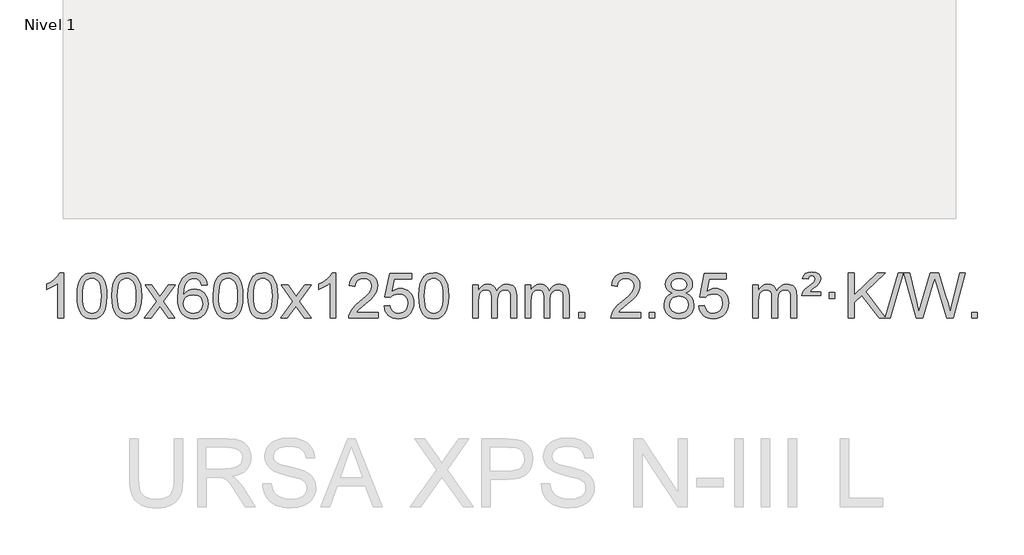
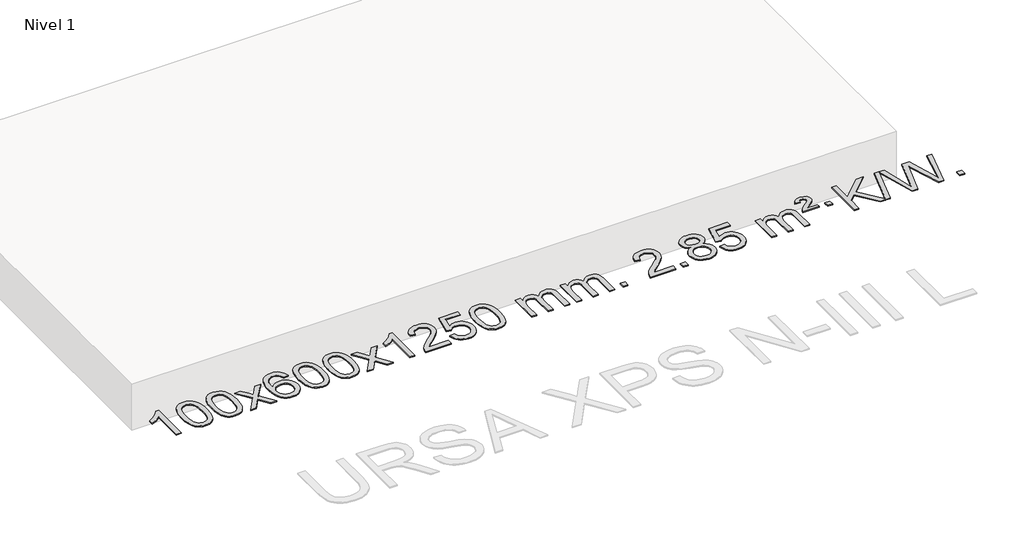
# One storey, part 3 of 10: 1 proxy.
"""IFC4 building model written with IfcOpenShell, lengths in millimetres."""

from ifc_helpers import new_model, si_unit, origin, origin_with_axes, place, context, project, spatial, polyline, outline, extrude, element, save

model = new_model("IFC4")

# Units and contexts
model_context = context("Model", 3, world=origin())
ifc_project = project(units=[si_unit("LENGTHUNIT", "METRE", prefix="MILLI")], contexts=[model_context])

# Site, building, storey
site = spatial("IfcSite", under=ifc_project)
building = spatial("IfcBuilding", under=site)
storey = spatial("IfcBuildingStorey", under=building, Name="Nivel 1", Elevation=0.0)

# Proxy
placement = place(None, origin())
element("IfcBuildingElementProxy", 1, Name="Texto de modelo 1", ObjectType="Texto de modelo 1", at=placement, inside=storey, context=model_context, shape_type="SweptSolid", body=[
    extrude(outline(polyline([(-30057.6779185, -12607.0613758), (-30107.9060735, -12607.0613758), (-30107.9060735, -12293.9202215), (-30128.8753473, -12310.8795815), (-30155.4854782, -12327.814416), (-30208.3623837, -12353.1737482), (-30208.3623837, -12305.6924454), (-30168.9131711, -12284.2326623), (-30134.7369337, -12258.7016518), (-30107.7957089, -12231.5519606), (-30090.051534, -12205.2361352), (-30057.6779185, -12205.2361352), (-30057.6779185, -12607.0613758)])), origin_with_axes(), (0.0, 0.0, 1.0), 10.0),
    extrude(outline(polyline([(-29938.3860502, -12409.3861171), (-29934.6949675, -12345.0680816), (-29923.6217194, -12293.7730687), (-29905.2766706, -12254.7162636), (-29893.4186076, -12239.4828833), (-29879.7701856, -12227.1128512), (-29864.2854193, -12217.5417879), (-29846.9183234, -12210.7053142), (-29806.5371431, -12205.2361352), (-29775.5860046, -12208.4734968), (-29747.8722276, -12218.1855814), (-29724.6956619, -12233.9922445), (-29707.3561572, -12255.5133412), (-29694.2595582, -12282.5649306), (-29683.8117095, -12314.9630716), (-29676.9691044, -12356.1045414), (-29674.688236, -12409.3861171), (-29678.3425305, -12473.3362706), (-29689.3054139, -12524.5086561), (-29707.5400982, -12563.6022494), (-29719.37057, -12578.881615), (-29733.009795, -12591.3160264), (-29748.5129554, -12600.951469), (-29765.9352335, -12607.833928), (-29806.5371431, -12613.3398952), (-29834.2018691, -12610.9486622), (-29858.7273355, -12603.7749633), (-29880.1135421, -12591.8187985), (-29898.3604891, -12575.0801677), (-29915.871672, -12544.8218736), (-29928.3796599, -12507.1201004), (-29935.8844526, -12461.9748483), (-29938.3860502, -12409.3861171)]), holes=[polyline([(-29888.1578951, -12409.2880152), (-29886.6863671, -12452.9525423), (-29882.2717832, -12488.296805), (-29874.9141432, -12515.3208033), (-29864.6134474, -12534.024537), (-29852.1545105, -12546.7501884), (-29838.3221475, -12555.8399393), (-29823.1163583, -12561.2937899), (-29806.5371431, -12563.1117401), (-29789.9579278, -12561.2876586), (-29774.7521387, -12555.8154139), (-29760.9197757, -12546.6950061), (-29748.4608388, -12533.9264352), (-29738.1601429, -12515.1920446), (-29730.802503, -12488.1741777), (-29726.3879191, -12452.8728346), (-29724.9163911, -12409.2880152), (-29726.3388681, -12366.7792507), (-29730.6062993, -12332.0573217), (-29737.7186845, -12305.1222283), (-29747.6760239, -12285.9739704), (-29759.9264943, -12272.6259854), (-29773.9182728, -12263.0917103), (-29789.6513595, -12257.3711453), (-29807.1257543, -12255.4642903), (-29823.6191304, -12257.1442847), (-29838.5674021, -12262.1842681), (-29851.9705695, -12270.5842403), (-29863.8286325, -12282.3442014), (-29874.4726849, -12303.1908478), (-29882.0755794, -12331.2970322), (-29886.6373162, -12366.6627547), (-29888.1578951, -12409.2880152)])]), origin_with_axes(), (0.0, 0.0, 1.0), 10.0),
    extrude(outline(polyline([(-29630.7386003, -12409.3861171), (-29627.0475176, -12345.0680816), (-29615.9742696, -12293.7730687), (-29597.6292208, -12254.7162636), (-29585.7711578, -12239.4828833), (-29572.1227358, -12227.1128512), (-29556.6379694, -12217.5417879), (-29539.2708736, -12210.7053142), (-29498.8896932, -12205.2361352), (-29467.9385547, -12208.4734968), (-29440.2247777, -12218.1855814), (-29417.0482121, -12233.9922445), (-29399.7087073, -12255.5133412), (-29386.6121083, -12282.5649306), (-29376.1642597, -12314.9630716), (-29369.3216545, -12356.1045414), (-29367.0407862, -12409.3861171), (-29370.6950807, -12473.3362706), (-29381.6579641, -12524.5086561), (-29399.8926483, -12563.6022494), (-29411.7231202, -12578.881615), (-29425.3623451, -12591.3160264), (-29440.8655056, -12600.951469), (-29458.2877837, -12607.833928), (-29498.8896932, -12613.3398952), (-29526.5544193, -12610.9486622), (-29551.0798856, -12603.7749633), (-29572.4660923, -12591.8187985), (-29590.7130392, -12575.0801677), (-29608.2242222, -12544.8218736), (-29620.73221, -12507.1201004), (-29628.2370028, -12461.9748483), (-29630.7386003, -12409.3861171)]), holes=[polyline([(-29580.5104452, -12409.2880152), (-29579.0389173, -12452.9525423), (-29574.6243333, -12488.296805), (-29567.2666934, -12515.3208033), (-29556.9659976, -12534.024537), (-29544.5070606, -12546.7501884), (-29530.6746976, -12555.8399393), (-29515.4689085, -12561.2937899), (-29498.8896932, -12563.1117401), (-29482.310478, -12561.2876586), (-29467.1046889, -12555.8154139), (-29453.2723258, -12546.6950061), (-29440.8133889, -12533.9264352), (-29430.5126931, -12515.1920446), (-29423.1550532, -12488.1741777), (-29418.7404692, -12452.8728346), (-29417.2689412, -12409.2880152), (-29418.6914183, -12366.7792507), (-29422.9588494, -12332.0573217), (-29430.0712347, -12305.1222283), (-29440.028574, -12285.9739704), (-29452.2790445, -12272.6259854), (-29466.270823, -12263.0917103), (-29482.0039097, -12257.3711453), (-29499.4783044, -12255.4642903), (-29515.9716806, -12257.1442847), (-29530.9199523, -12262.1842681), (-29544.3231197, -12270.5842403), (-29556.1811826, -12282.3442014), (-29566.825235, -12303.1908478), (-29574.4281296, -12331.2970322), (-29578.9898663, -12366.6627547), (-29580.5104452, -12409.2880152)])]), origin_with_axes(), (0.0, 0.0, 1.0), 10.0),
    extrude(outline(polyline([(-29341.9267086, -12607.0613758), (-29234.6032679, -12458.7313553), (-29335.6481893, -12311.9709647), (-29275.2174402, -12311.9709647), (-29226.4608131, -12382.6043078), (-29203.7011803, -12415.958942), (-29183.9827054, -12388.6866235), (-29128.4570496, -12311.9709647), (-29068.0263005, -12311.9709647), (-29174.1725188, -12458.7313553), (-29071.9503751, -12607.0613758), (-29132.3811242, -12607.0613758), (-29193.8909938, -12517.8867802), (-29205.1727083, -12501.6018705), (-29281.4959596, -12607.0613758), (-29341.9267086, -12607.0613758)])), origin_with_axes(), (0.0, 0.0, 1.0), 10.0),
    extrude(outline(polyline([(-28783.1384834, -12311.9709647), (-28833.3666385, -12318.2494841), (-28841.4600424, -12293.3561358), (-28852.3984004, -12276.3599876), (-28875.1825586, -12260.6882146), (-28902.7246573, -12255.4642903), (-28926.0729013, -12258.5054481), (-28948.0477191, -12267.6289216), (-28966.9200655, -12286.8446245), (-28982.3343211, -12313.2953399), (-28992.7453815, -12350.7089388), (-28996.6081425, -12402.8132921), (-28976.4604719, -12379.3056326), (-28952.3151503, -12362.7386801), (-28925.5210783, -12352.9162308), (-28897.4271566, -12349.642081), (-28873.2940977, -12351.8800298), (-28851.0249743, -12358.5938763), (-28830.6197863, -12369.7836203), (-28812.0785337, -12385.4492619), (-28796.6704095, -12404.6588334), (-28785.6646065, -12426.4803671), (-28779.0611247, -12450.9138629), (-28776.859964, -12477.959321), (-28781.0047679, -12513.9259174), (-28793.4391793, -12547.2682889), (-28813.1331288, -12575.5461515), (-28839.0565467, -12596.3192215), (-28870.0322107, -12609.0847268), (-28904.8828984, -12613.3398952), (-28934.8254271, -12610.5194666), (-28961.8678194, -12602.0581807), (-28986.0100754, -12587.9560375), (-29007.2521949, -12568.2130371), (-29024.5702398, -12541.9953136), (-29036.9402719, -12508.4690011), (-29044.3622912, -12467.6340996), (-29046.8362976, -12419.4906092), (-29044.0894453, -12365.5161891), (-29035.8488887, -12319.451232), (-29022.1146275, -12281.2957377), (-29002.8866619, -12251.0497063), (-28982.0461469, -12231.006269), (-28957.8824311, -12216.689528), (-28930.3955147, -12208.0994834), (-28899.5853976, -12205.2361352), (-28876.4517515, -12207.0081001), (-28855.5131346, -12212.323995), (-28836.769547, -12221.1838197), (-28820.2209885, -12233.5875743), (-28806.3150491, -12249.1183259), (-28795.4993185, -12267.3591415), (-28787.7737966, -12288.3100211), (-28783.1384834, -12311.9709647)]), holes=[polyline([(-28996.6081425, -12477.174506), (-28993.7018747, -12499.4313667), (-28984.9830715, -12520.6826833), (-28971.445014, -12538.9541558), (-28954.0809839, -12552.271484), (-28933.1239729, -12560.4016761), (-28908.806973, -12563.1117401), (-28875.6608052, -12557.4954083), (-28861.7456687, -12550.4749936), (-28849.6024972, -12540.6464129), (-28839.7524568, -12528.4082052), (-28832.7167136, -12514.1589093), (-28827.0881191, -12479.6270527), (-28832.6431372, -12446.4808849), (-28839.5869099, -12432.860054), (-28849.3081916, -12421.2073918), (-28861.4881514, -12411.8723862), (-28875.807958, -12405.204525), (-28910.8671122, -12399.8702361), (-28943.964229, -12405.204525), (-28971.6412178, -12421.2073918), (-28982.5642473, -12432.7067699), (-28990.3664113, -12445.8677482), (-28995.0477097, -12460.690327), (-28996.6081425, -12477.174506)])]), origin_with_axes(), (0.0, 0.0, 1.0), 10.0),
    extrude(outline(polyline([(-28732.9103284, -12409.3861171), (-28729.2192457, -12345.0680816), (-28718.1459976, -12293.7730687), (-28699.8009488, -12254.7162636), (-28687.9428858, -12239.4828833), (-28674.2944638, -12227.1128512), (-28658.8096975, -12217.5417879), (-28641.4426016, -12210.7053142), (-28601.0614213, -12205.2361352), (-28570.1102828, -12208.4734968), (-28542.3965058, -12218.1855814), (-28519.2199401, -12233.9922445), (-28501.8804354, -12255.5133412), (-28488.7838364, -12282.5649306), (-28478.3359877, -12314.9630716), (-28471.4933826, -12356.1045414), (-28469.2125142, -12409.3861171), (-28472.8668087, -12473.3362706), (-28483.8296922, -12524.5086561), (-28502.0643764, -12563.6022494), (-28513.8948482, -12578.881615), (-28527.5340732, -12591.3160264), (-28543.0372336, -12600.951469), (-28560.4595117, -12607.833928), (-28601.0614213, -12613.3398952), (-28628.7261473, -12610.9486622), (-28653.2516137, -12603.7749633), (-28674.6378203, -12591.8187985), (-28692.8847673, -12575.0801677), (-28710.3959503, -12544.8218736), (-28722.9039381, -12507.1201004), (-28730.4087308, -12461.9748483), (-28732.9103284, -12409.3861171)]), holes=[polyline([(-28682.6821733, -12409.2880152), (-28681.2106453, -12452.9525423), (-28676.7960614, -12488.296805), (-28669.4384215, -12515.3208033), (-28659.1377256, -12534.024537), (-28646.6787887, -12546.7501884), (-28632.8464257, -12555.8399393), (-28617.6406365, -12561.2937899), (-28601.0614213, -12563.1117401), (-28584.482206, -12561.2876586), (-28569.2764169, -12555.8154139), (-28555.4440539, -12546.6950061), (-28542.985117, -12533.9264352), (-28532.6844211, -12515.1920446), (-28525.3267812, -12488.1741777), (-28520.9121973, -12452.8728346), (-28519.4406693, -12409.2880152), (-28520.8631463, -12366.7792507), (-28525.1305775, -12332.0573217), (-28532.2429627, -12305.1222283), (-28542.2003021, -12285.9739704), (-28554.4507725, -12272.6259854), (-28568.442551, -12263.0917103), (-28584.1756377, -12257.3711453), (-28601.6500325, -12255.4642903), (-28618.1434086, -12257.1442847), (-28633.0916803, -12262.1842681), (-28646.4948477, -12270.5842403), (-28658.3529107, -12282.3442014), (-28668.9969631, -12303.1908478), (-28676.5998576, -12331.2970322), (-28681.1615944, -12366.6627547), (-28682.6821733, -12409.2880152)])]), origin_with_axes(), (0.0, 0.0, 1.0), 10.0),
    extrude(outline(polyline([(-28425.2628785, -12409.3861171), (-28421.5717958, -12345.0680816), (-28410.4985478, -12293.7730687), (-28392.153499, -12254.7162636), (-28380.295436, -12239.4828833), (-28366.647014, -12227.1128512), (-28351.1622476, -12217.5417879), (-28333.7951518, -12210.7053142), (-28293.4139715, -12205.2361352), (-28262.4628329, -12208.4734968), (-28234.749056, -12218.1855814), (-28211.5724903, -12233.9922445), (-28194.2329856, -12255.5133412), (-28181.1363865, -12282.5649306), (-28170.6885379, -12314.9630716), (-28163.8459327, -12356.1045414), (-28161.5650644, -12409.3861171), (-28165.2193589, -12473.3362706), (-28176.1822423, -12524.5086561), (-28194.4169265, -12563.6022494), (-28206.2473984, -12578.881615), (-28219.8866233, -12591.3160264), (-28235.3897838, -12600.951469), (-28252.8120619, -12607.833928), (-28293.4139715, -12613.3398952), (-28321.0786975, -12610.9486622), (-28345.6041638, -12603.7749633), (-28366.9903705, -12591.8187985), (-28385.2373174, -12575.0801677), (-28402.7485004, -12544.8218736), (-28415.2564883, -12507.1201004), (-28422.761281, -12461.9748483), (-28425.2628785, -12409.3861171)]), holes=[polyline([(-28375.0347234, -12409.2880152), (-28373.5631955, -12452.9525423), (-28369.1486115, -12488.296805), (-28361.7909716, -12515.3208033), (-28351.4902758, -12534.024537), (-28339.0313389, -12546.7501884), (-28325.1989758, -12555.8399393), (-28309.9931867, -12561.2937899), (-28293.4139715, -12563.1117401), (-28276.8347562, -12561.2876586), (-28261.6289671, -12555.8154139), (-28247.796604, -12546.6950061), (-28235.3376671, -12533.9264352), (-28225.0369713, -12515.1920446), (-28217.6793314, -12488.1741777), (-28213.2647474, -12452.8728346), (-28211.7932195, -12409.2880152), (-28213.2156965, -12366.7792507), (-28217.4831276, -12332.0573217), (-28224.5955129, -12305.1222283), (-28234.5528522, -12285.9739704), (-28246.8033227, -12272.6259854), (-28260.7951012, -12263.0917103), (-28276.5281879, -12257.3711453), (-28294.0025826, -12255.4642903), (-28310.4959588, -12257.1442847), (-28325.4442305, -12262.1842681), (-28338.8473979, -12270.5842403), (-28350.7054608, -12282.3442014), (-28361.3495132, -12303.1908478), (-28368.9524078, -12331.2970322), (-28373.5141445, -12366.6627547), (-28375.0347234, -12409.2880152)])]), origin_with_axes(), (0.0, 0.0, 1.0), 10.0),
    extrude(outline(polyline([(-28136.4509868, -12607.0613758), (-28029.1275461, -12458.7313553), (-28130.1724675, -12311.9709647), (-28069.7417184, -12311.9709647), (-28020.9850913, -12382.6043078), (-27998.2254585, -12415.958942), (-27978.5069836, -12388.6866235), (-27922.9813278, -12311.9709647), (-27862.5505787, -12311.9709647), (-27968.696797, -12458.7313553), (-27866.4746533, -12607.0613758), (-27926.9054024, -12607.0613758), (-27988.415272, -12517.8867802), (-27999.6969865, -12501.6018705), (-28076.0202378, -12607.0613758), (-28136.4509868, -12607.0613758)])), origin_with_axes(), (0.0, 0.0, 1.0), 10.0),
    extrude(outline(polyline([(-27646.7264749, -12607.0613758), (-27696.9546299, -12607.0613758), (-27696.9546299, -12293.9202215), (-27717.9239037, -12310.8795815), (-27744.5340346, -12327.814416), (-27797.4109401, -12353.1737482), (-27797.4109401, -12305.6924454), (-27757.9617275, -12284.2326623), (-27723.7854901, -12258.7016518), (-27696.8442653, -12231.5519606), (-27679.1000904, -12205.2361352), (-27646.7264749, -12205.2361352), (-27646.7264749, -12607.0613758)])), origin_with_axes(), (0.0, 0.0, 1.0), 10.0),
    extrude(outline(polyline([(-27270.0153118, -12556.8332207), (-27270.0153118, -12607.0613758), (-27533.7131259, -12607.0613758), (-27532.60948, -12589.3785146), (-27528.3175233, -12572.4314173), (-27515.9321628, -12545.3675652), (-27497.8078432, -12519.1130535), (-27471.5901197, -12491.6322684), (-27434.9245475, -12460.8895964), (-27380.7232669, -12412.746106), (-27348.2024985, -12377.2087052), (-27331.9421143, -12348.3667568), (-27326.5219863, -12320.3096233), (-27331.635546, -12295.1587576), (-27346.9762252, -12274.2507975), (-27370.5574611, -12260.1609171), (-27400.3926909, -12255.4642903), (-27431.7239741, -12260.0505525), (-27456.0654995, -12273.8093391), (-27471.7740607, -12295.6615296), (-27477.2064515, -12324.5280035), (-27527.4346066, -12318.2494841), (-27523.1150588, -12292.3199348), (-27515.2577125, -12269.6645353), (-27503.8625677, -12250.2832855), (-27488.9296244, -12234.1761855), (-27470.8022391, -12221.5149135), (-27449.8237683, -12212.4711478), (-27425.9942121, -12207.0448883), (-27399.3135704, -12205.2361352), (-27372.3938054, -12207.2472234), (-27348.4354904, -12213.2804882), (-27327.4386256, -12223.3359294), (-27309.4032108, -12237.413547), (-27294.9178572, -12254.4710089), (-27284.5711761, -12273.4659826), (-27278.3631674, -12294.3984681), (-27276.2938312, -12317.2684655), (-27278.5256486, -12341.2911598), (-27285.2211009, -12364.8969211), (-27297.1036894, -12388.9073527), (-27314.8969152, -12414.1440575), (-27343.260617, -12444.2735929), (-27386.8546335, -12482.9625161), (-27444.6366322, -12531.2776848), (-27467.2981631, -12556.8332207), (-27270.0153118, -12556.8332207)])), origin_with_axes(), (0.0, 0.0, 1.0), 10.0),
    extrude(outline(polyline([(-27219.7871567, -12500.3265463), (-27169.5590017, -12494.0480269), (-27160.3374263, -12524.2020878), (-27144.2487204, -12545.7967609), (-27121.3664603, -12558.7829953), (-27091.7642224, -12563.1117401), (-27072.6343587, -12561.6064896), (-27055.7608378, -12557.0907381), (-27041.1436599, -12549.5644856), (-27028.7828248, -12539.0277322), (-27018.9542442, -12526.0016438), (-27011.9338295, -12511.0073869), (-27006.3174977, -12475.1143669), (-27011.5782102, -12441.3182742), (-27018.1541009, -12427.4000721), (-27027.3603478, -12415.4684327), (-27039.2276078, -12405.8973695), (-27053.7865378, -12399.0608957), (-27090.9794075, -12393.5917167), (-27115.3454583, -12395.7744832), (-27135.076196, -12402.3227828), (-27150.8338081, -12412.3536985), (-27163.2804823, -12424.9843137), (-27213.5086373, -12418.7057943), (-27169.5590017, -12211.5146546), (-26974.9249007, -12211.5146546), (-26974.9249007, -12261.7428097), (-27128.9448294, -12261.7428097), (-27150.4291379, -12372.4017138), (-27132.7033571, -12359.6975222), (-27114.5483806, -12350.6230997), (-27095.9642085, -12345.1784462), (-27076.9508407, -12343.3635617), (-27052.4897537, -12345.6137732), (-27030.0213609, -12352.3644078), (-27009.5456622, -12363.6154655), (-26991.0626576, -12379.3669463), (-26975.7618323, -12398.6562255), (-26964.8326713, -12420.5206788), (-26958.2751748, -12444.960306), (-26956.0893426, -12471.9751072), (-26958.0575113, -12497.996627), (-26963.9620173, -12522.2032622), (-26973.8028607, -12544.595013), (-26987.5800414, -12565.1718793), (-27008.4512132, -12586.2453862), (-27032.8050013, -12601.2978912), (-27060.6414056, -12610.3293942), (-27091.9604261, -12613.3398952), (-27117.8807784, -12611.405449), (-27141.2934017, -12605.6021106), (-27162.1982961, -12595.9298798), (-27180.5954615, -12582.3887567), (-27195.9024182, -12565.6531916), (-27207.5366863, -12546.3976348), (-27215.4982658, -12524.6220864), (-27219.7871567, -12500.3265463)])), origin_with_axes(), (0.0, 0.0, 1.0), 10.0),
    extrude(outline(polyline([(-26912.1397069, -12409.3861171), (-26908.4486242, -12345.0680816), (-26897.3753762, -12293.7730687), (-26879.0303273, -12254.7162636), (-26867.1722644, -12239.4828833), (-26853.5238423, -12227.1128512), (-26838.039076, -12217.5417879), (-26820.6719802, -12210.7053142), (-26780.2907998, -12205.2361352), (-26749.3396613, -12208.4734968), (-26721.6258843, -12218.1855814), (-26698.4493186, -12233.9922445), (-26681.1098139, -12255.5133412), (-26668.0132149, -12282.5649306), (-26657.5653662, -12314.9630716), (-26650.7227611, -12356.1045414), (-26648.4418928, -12409.3861171), (-26652.0961872, -12473.3362706), (-26663.0590707, -12524.5086561), (-26681.2937549, -12563.6022494), (-26693.1242267, -12578.881615), (-26706.7634517, -12591.3160264), (-26722.2666121, -12600.951469), (-26739.6888903, -12607.833928), (-26780.2907998, -12613.3398952), (-26807.9555259, -12610.9486622), (-26832.4809922, -12603.7749633), (-26853.8671989, -12591.8187985), (-26872.1141458, -12575.0801677), (-26889.6253288, -12544.8218736), (-26902.1333166, -12507.1201004), (-26909.6381093, -12461.9748483), (-26912.1397069, -12409.3861171)]), holes=[polyline([(-26861.9115518, -12409.2880152), (-26860.4400238, -12452.9525423), (-26856.0254399, -12488.296805), (-26848.6678, -12515.3208033), (-26838.3671041, -12534.024537), (-26825.9081672, -12546.7501884), (-26812.0758042, -12555.8399393), (-26796.8700151, -12561.2937899), (-26780.2907998, -12563.1117401), (-26763.7115846, -12561.2876586), (-26748.5057954, -12555.8154139), (-26734.6734324, -12546.6950061), (-26722.2144955, -12533.9264352), (-26711.9137997, -12515.1920446), (-26704.5561597, -12488.1741777), (-26700.1415758, -12452.8728346), (-26698.6700478, -12409.2880152), (-26700.0925249, -12366.7792507), (-26704.359956, -12332.0573217), (-26711.4723413, -12305.1222283), (-26721.4296806, -12285.9739704), (-26733.680151, -12272.6259854), (-26747.6719296, -12263.0917103), (-26763.4050162, -12257.3711453), (-26780.879411, -12255.4642903), (-26797.3727871, -12257.1442847), (-26812.3210589, -12262.1842681), (-26825.7242262, -12270.5842403), (-26837.5822892, -12282.3442014), (-26848.2263416, -12303.1908478), (-26855.8292362, -12331.2970322), (-26860.3909729, -12366.6627547), (-26861.9115518, -12409.2880152)])]), origin_with_axes(), (0.0, 0.0, 1.0), 10.0),
    extrude(outline(polyline([(-26434.9722337, -12607.0613758), (-26434.9722337, -12311.9709647), (-26384.7440786, -12311.9709647), (-26384.7440786, -12360.5313881), (-26369.6363913, -12338.2254765), (-26350.212222, -12320.7510817), (-26327.1337582, -12309.4571044), (-26301.0631874, -12305.6924454), (-26273.1286813, -12309.5306808), (-26250.7369305, -12321.0453873), (-26234.0105625, -12339.4762752), (-26223.0722045, -12364.0630553), (-26204.7639438, -12338.5259134), (-26183.8805092, -12320.2850978), (-26160.4219007, -12309.3406085), (-26134.3881182, -12305.6924454), (-26114.2803014, -12307.2099586), (-26096.6311627, -12311.7624983), (-26081.440702, -12319.3500644), (-26068.7089193, -12329.972657), (-26058.644281, -12343.7529034), (-26051.4552537, -12360.813431), (-26047.1418373, -12381.1542396), (-26045.7040319, -12404.7753294), (-26045.7040319, -12607.0613758), (-26095.9321869, -12607.0613758), (-26095.9321869, -12426.3577398), (-26097.0971466, -12401.3049759), (-26100.5920255, -12384.4191923), (-26107.140325, -12372.8554349), (-26117.4655464, -12363.7687497), (-26130.7460864, -12357.8826377), (-26146.160342, -12355.9206004), (-26173.3713469, -12360.948321), (-26195.5546312, -12376.0314828), (-26204.1600042, -12387.6013716), (-26210.3066992, -12402.2001554), (-26215.2240552, -12440.4844084), (-26215.2240552, -12607.0613758), (-26265.4522103, -12607.0613758), (-26265.4522103, -12420.7659334), (-26268.3584781, -12392.3654434), (-26277.0772814, -12372.1074082), (-26292.4179606, -12359.9673024), (-26315.1898561, -12355.9206004), (-26334.540449, -12358.6184017), (-26352.370463, -12366.7118056), (-26367.0857428, -12380.0046084), (-26377.0921331, -12398.3006063), (-26382.8310922, -12423.6844639), (-26384.7440786, -12458.240846), (-26384.7440786, -12607.0613758), (-26434.9722337, -12607.0613758)])), origin_with_axes(), (0.0, 0.0, 1.0), 10.0),
    extrude(outline(polyline([(-25970.3617992, -12607.0613758), (-25970.3617992, -12311.9709647), (-25920.1336442, -12311.9709647), (-25920.1336442, -12360.5313881), (-25905.0259569, -12338.2254765), (-25885.6017876, -12320.7510817), (-25862.5233237, -12309.4571044), (-25836.452753, -12305.6924454), (-25808.5182468, -12309.5306808), (-25786.1264961, -12321.0453873), (-25769.400128, -12339.4762752), (-25758.46177, -12364.0630553), (-25740.1535094, -12338.5259134), (-25719.2700748, -12320.2850978), (-25695.8114662, -12309.3406085), (-25669.7776837, -12305.6924454), (-25649.669867, -12307.2099586), (-25632.0207283, -12311.7624983), (-25616.8302676, -12319.3500644), (-25604.0984848, -12329.972657), (-25594.0338466, -12343.7529034), (-25586.8448193, -12360.813431), (-25582.5314029, -12381.1542396), (-25581.0935974, -12404.7753294), (-25581.0935974, -12607.0613758), (-25631.3217525, -12607.0613758), (-25631.3217525, -12426.3577398), (-25632.4867121, -12401.3049759), (-25635.9815911, -12384.4191923), (-25642.5298906, -12372.8554349), (-25652.8551119, -12363.7687497), (-25666.135652, -12357.8826377), (-25681.5499076, -12355.9206004), (-25708.7609125, -12360.948321), (-25730.9441968, -12376.0314828), (-25739.5495698, -12387.6013716), (-25745.6962648, -12402.2001554), (-25750.6136208, -12440.4844084), (-25750.6136208, -12607.0613758), (-25800.8417759, -12607.0613758), (-25800.8417759, -12420.7659334), (-25803.7480436, -12392.3654434), (-25812.4668469, -12372.1074082), (-25827.8075261, -12359.9673024), (-25850.5794216, -12355.9206004), (-25869.9300146, -12358.6184017), (-25887.7600286, -12366.7118056), (-25902.4753084, -12380.0046084), (-25912.4816987, -12398.3006063), (-25918.2206578, -12423.6844639), (-25920.1336442, -12458.240846), (-25920.1336442, -12607.0613758), (-25970.3617992, -12607.0613758)])), origin_with_axes(), (0.0, 0.0, 1.0), 10.0),
    extrude(outline(polyline([(-25493.194326, -12607.0613758), (-25493.194326, -12556.8332207), (-25442.966171, -12556.8332207), (-25442.966171, -12607.0613758), (-25493.194326, -12607.0613758)])), origin_with_axes(), (0.0, 0.0, 1.0), 10.0),
    extrude(outline(polyline([(-24946.9631396, -12556.8332207), (-24946.9631396, -12607.0613758), (-25210.6609537, -12607.0613758), (-25209.5573077, -12589.3785146), (-25205.2653511, -12572.4314173), (-25192.8799906, -12545.3675652), (-25174.755671, -12519.1130535), (-25148.5379475, -12491.6322684), (-25111.8723753, -12460.8895964), (-25057.6710947, -12412.746106), (-25025.1503263, -12377.2087052), (-25008.8899421, -12348.3667568), (-25003.4698141, -12320.3096233), (-25008.5833738, -12295.1587576), (-25023.924053, -12274.2507975), (-25047.5052889, -12260.1609171), (-25077.3405187, -12255.4642903), (-25108.6718019, -12260.0505525), (-25133.0133273, -12273.8093391), (-25148.7218885, -12295.6615296), (-25154.1542793, -12324.5280035), (-25204.3824344, -12318.2494841), (-25200.0628866, -12292.3199348), (-25192.2055403, -12269.6645353), (-25180.8103955, -12250.2832855), (-25165.8774522, -12234.1761855), (-25147.7500669, -12221.5149135), (-25126.7715961, -12212.4711478), (-25102.9420399, -12207.0448883), (-25076.2613982, -12205.2361352), (-25049.3416332, -12207.2472234), (-25025.3833182, -12213.2804882), (-25004.3864534, -12223.3359294), (-24986.3510385, -12237.413547), (-24971.865685, -12254.4710089), (-24961.5190039, -12273.4659826), (-24955.3109952, -12294.3984681), (-24953.241659, -12317.2684655), (-24955.4734764, -12341.2911598), (-24962.1689287, -12364.8969211), (-24974.0515172, -12388.9073527), (-24991.844743, -12414.1440575), (-25020.2084448, -12444.2735929), (-25063.8024613, -12482.9625161), (-25121.58446, -12531.2776848), (-25144.2459909, -12556.8332207), (-24946.9631396, -12556.8332207)])), origin_with_axes(), (0.0, 0.0, 1.0), 10.0),
    extrude(outline(polyline([(-24871.620907, -12607.0613758), (-24871.620907, -12556.8332207), (-24821.3927519, -12556.8332207), (-24821.3927519, -12607.0613758), (-24871.620907, -12607.0613758)])), origin_with_axes(), (0.0, 0.0, 1.0), 10.0),
    extrude(outline(polyline([(-24666.5880083, -12385.7435675), (-24693.4801822, -12372.4998157), (-24712.3525285, -12354.5471743), (-24723.499353, -12332.2535254), (-24727.2149611, -12305.9867509), (-24725.1916102, -12285.5018552), (-24719.1215572, -12266.7214793), (-24709.0048024, -12249.6456234), (-24694.8413456, -12234.2742874), (-24677.3117685, -12221.5700958), (-24657.0966529, -12212.4956732), (-24634.1959987, -12207.0510197), (-24608.6098059, -12205.2361352), (-24582.9009858, -12207.0939393), (-24559.8286533, -12212.6673515), (-24539.3928085, -12221.9563719), (-24521.5934513, -12234.9610004), (-24507.1724771, -12250.6327734), (-24496.8717812, -12267.9232272), (-24490.6913637, -12286.8323617), (-24488.6312245, -12307.3601771), (-24492.2977818, -12332.7808229), (-24503.2974534, -12354.6943271), (-24521.7528668, -12372.5366039), (-24547.7866494, -12385.7435675), (-24516.872299, -12401.6728579), (-24494.3701837, -12425.1314665), (-24480.6481852, -12454.9912217), (-24476.0741858, -12490.1239523), (-24478.3427914, -12515.1767161), (-24485.1486083, -12538.1448154), (-24496.4916365, -12559.02825), (-24512.371876, -12577.8270199), (-24531.9554608, -12593.3639028), (-24554.4085253, -12604.4616764), (-24579.7310693, -12611.1203405), (-24607.9230928, -12613.3398952), (-24636.1151164, -12611.1111434), (-24661.4376604, -12604.4248882), (-24683.8907248, -12593.2811294), (-24703.4743097, -12577.6798671), (-24719.3545492, -12558.7492728), (-24730.6975774, -12537.6175178), (-24737.5033943, -12514.2846023), (-24739.7719999, -12488.7505262), (-24735.0140594, -12452.2566322), (-24720.740238, -12422.2374614), (-24697.6862997, -12399.7230833), (-24666.5880083, -12385.7435675)]), holes=[polyline([(-24676.9868061, -12307.4582789), (-24672.5354339, -12329.3840458), (-24659.1813175, -12346.8952288), (-24637.3168643, -12358.3731471), (-24607.3344816, -12362.1991198), (-24578.0510748, -12358.3976725), (-24556.5177154, -12346.9933307), (-24543.2739636, -12330.0707589), (-24538.8593796, -12309.7146218), (-24543.4211163, -12288.5859326), (-24557.1063266, -12271.1115378), (-24578.9339916, -12259.3761022), (-24607.9230928, -12255.4642903), (-24637.0961351, -12259.290263), (-24658.8870119, -12270.7681813), (-24672.4618575, -12287.5926512), (-24676.9868061, -12307.4582789)]), polyline([(-24689.5438448, -12486.9846926), (-24687.4469175, -12506.2003955), (-24681.1561353, -12524.8029617), (-24669.543327, -12541.0265577), (-24651.4803211, -12553.1053498), (-24629.8488597, -12560.6101425), (-24607.5306854, -12563.1117401), (-24573.3421853, -12557.8510276), (-24559.4485086, -12551.2751369), (-24547.6885475, -12542.06889), (-24531.6488925, -12518.168823), (-24526.3023408, -12488.5543224), (-24531.8205708, -12458.4370498), (-24548.3752606, -12434.0096853), (-24560.4540527, -12424.5673807), (-24574.6175095, -12417.8228775), (-24609.1984171, -12412.4272749), (-24642.9086706, -12417.7493011), (-24656.6459974, -12424.4018338), (-24668.304791, -12433.7153797), (-24684.2340814, -12457.6767603), (-24689.5438448, -12486.9846926)])]), origin_with_axes(), (0.0, 0.0, 1.0), 10.0),
    extrude(outline(polyline([(-24432.1245501, -12500.3265463), (-24381.896395, -12494.0480269), (-24372.6748197, -12524.2020878), (-24356.5861137, -12545.7967609), (-24333.7038536, -12558.7829953), (-24304.1016158, -12563.1117401), (-24284.971752, -12561.6064896), (-24268.0982312, -12557.0907381), (-24253.4810532, -12549.5644856), (-24241.1202182, -12539.0277322), (-24231.2916375, -12526.0016438), (-24224.2712228, -12511.0073869), (-24218.654891, -12475.1143669), (-24223.9156035, -12441.3182742), (-24230.4914942, -12427.4000721), (-24239.6977411, -12415.4684327), (-24251.5650012, -12405.8973695), (-24266.1239311, -12399.0608957), (-24303.3168008, -12393.5917167), (-24327.6828516, -12395.7744832), (-24347.4135893, -12402.3227828), (-24363.1712014, -12412.3536985), (-24375.6178756, -12424.9843137), (-24425.8460307, -12418.7057943), (-24381.896395, -12211.5146546), (-24187.2622941, -12211.5146546), (-24187.2622941, -12261.7428097), (-24341.2822227, -12261.7428097), (-24362.7665313, -12372.4017138), (-24345.0407505, -12359.6975222), (-24326.885774, -12350.6230997), (-24308.3016019, -12345.1784462), (-24289.2882341, -12343.3635617), (-24264.8271471, -12345.6137732), (-24242.3587542, -12352.3644078), (-24221.8830555, -12363.6154655), (-24203.4000509, -12379.3669463), (-24188.0992256, -12398.6562255), (-24177.1700647, -12420.5206788), (-24170.6125681, -12444.960306), (-24168.4267359, -12471.9751072), (-24170.3949046, -12497.996627), (-24176.2994106, -12522.2032622), (-24186.140254, -12544.595013), (-24199.9174347, -12565.1718793), (-24220.7886066, -12586.2453862), (-24245.1423947, -12601.2978912), (-24272.978799, -12610.3293942), (-24304.2978195, -12613.3398952), (-24330.2181717, -12611.405449), (-24353.630795, -12605.6021106), (-24374.5356894, -12595.9298798), (-24392.9328549, -12582.3887567), (-24408.2398115, -12565.6531916), (-24419.8740796, -12546.3976348), (-24427.8356591, -12524.6220864), (-24432.1245501, -12500.3265463)])), origin_with_axes(), (0.0, 0.0, 1.0), 10.0),
    extrude(outline(polyline([(-23954.9570769, -12607.0613758), (-23954.9570769, -12311.9709647), (-23904.7289218, -12311.9709647), (-23904.7289218, -12360.5313881), (-23889.6212345, -12338.2254765), (-23870.1970652, -12320.7510817), (-23847.1186013, -12309.4571044), (-23821.0480306, -12305.6924454), (-23793.1135245, -12309.5306808), (-23770.7217737, -12321.0453873), (-23753.9954056, -12339.4762752), (-23743.0570476, -12364.0630553), (-23724.748787, -12338.5259134), (-23703.8653524, -12320.2850978), (-23680.4067439, -12309.3406085), (-23654.3729613, -12305.6924454), (-23634.2651446, -12307.2099586), (-23616.6160059, -12311.7624983), (-23601.4255452, -12319.3500644), (-23588.6937625, -12329.972657), (-23578.6291242, -12343.7529034), (-23571.4400969, -12360.813431), (-23567.1266805, -12381.1542396), (-23565.688875, -12404.7753294), (-23565.688875, -12607.0613758), (-23615.9170301, -12607.0613758), (-23615.9170301, -12426.3577398), (-23617.0819898, -12401.3049759), (-23620.5768687, -12384.4191923), (-23627.1251682, -12372.8554349), (-23637.4503896, -12363.7687497), (-23650.7309296, -12357.8826377), (-23666.1451852, -12355.9206004), (-23693.3561901, -12360.948321), (-23715.5394744, -12376.0314828), (-23724.1448474, -12387.6013716), (-23730.2915424, -12402.2001554), (-23735.2088984, -12440.4844084), (-23735.2088984, -12607.0613758), (-23785.4370535, -12607.0613758), (-23785.4370535, -12420.7659334), (-23788.3433212, -12392.3654434), (-23797.0621245, -12372.1074082), (-23812.4028037, -12359.9673024), (-23835.1746992, -12355.9206004), (-23854.5252922, -12358.6184017), (-23872.3553062, -12366.7118056), (-23887.070586, -12380.0046084), (-23897.0769763, -12398.3006063), (-23902.8159354, -12423.6844639), (-23904.7289218, -12458.240846), (-23904.7289218, -12607.0613758), (-23954.9570769, -12607.0613758)])), origin_with_axes(), (0.0, 0.0, 1.0), 10.0),
    extrude(outline(polyline([(-23521.7392393, -12406.1487555), (-23517.9132666, -12390.3298297), (-23509.574608, -12374.461853), (-23488.0657741, -12349.32325), (-23456.1090914, -12321.5849475), (-23411.963252, -12284.2081368), (-23404.8263413, -12272.6811677), (-23402.447371, -12260.8598929), (-23404.335832, -12248.768838), (-23410.0012147, -12238.9831769), (-23419.3699428, -12232.5084538), (-23432.36844, -12230.3502127), (-23444.8028514, -12231.9688935), (-23453.6565448, -12236.8249359), (-23460.082217, -12246.2917659), (-23465.2325649, -12261.7428097), (-23515.46072, -12255.4642903), (-23504.6204638, -12230.2521109), (-23487.9921977, -12212.691877), (-23464.2270208, -12202.3911811), (-23431.9760325, -12198.9576158), (-23396.1933771, -12203.0901569), (-23371.4471816, -12215.4877801), (-23357.0262074, -12233.8205662), (-23352.219216, -12255.7585959), (-23356.3149688, -12278.6653814), (-23368.6022275, -12300.2968428), (-23389.1300428, -12320.1134196), (-23425.5994113, -12348.1705531), (-23451.2039981, -12374.7561586), (-23352.219216, -12374.7561586), (-23352.219216, -12406.1487555), (-23521.7392393, -12406.1487555)])), origin_with_axes(), (0.0, 0.0, 1.0), 10.0),
    extrude(outline(polyline([(-23276.8769834, -12431.262833), (-23276.8769834, -12381.034678), (-23226.6488283, -12381.034678), (-23226.6488283, -12431.262833), (-23276.8769834, -12431.262833)])), origin_with_axes(), (0.0, 0.0, 1.0), 10.0),
    extrude(outline(polyline([(-22836.0072003, -12607.0613758), (-22989.4385178, -12404.3829219), (-23057.1288049, -12468.9339493), (-23057.1288049, -12607.0613758), (-23107.35696, -12607.0613758), (-23107.35696, -12205.2361352), (-23057.1288049, -12205.2361352), (-23057.1288049, -12401.9303753), (-22851.1148876, -12205.2361352), (-22780.873952, -12205.2361352), (-22953.8275407, -12370.4396765), (-22779.1739308, -12601.016856), (-22667.8606031, -12205.2361352), (-22622.5375413, -12205.2361352), (-22735.5508902, -12607.0613758), (-22774.5954326, -12607.0613758), (-22780.873952, -12607.0613758), (-22836.0072003, -12607.0613758)])), origin_with_axes(), (0.0, 0.0, 1.0), 10.0),
    extrude(outline(polyline([(-22508.0526644, -12607.0613758), (-22617.632448, -12205.2361352), (-22565.8346631, -12205.2361352), (-22502.2646543, -12469.3263568), (-22482.6442812, -12550.8490069), (-22461.650482, -12478.7441359), (-22381.9917674, -12205.2361352), (-22307.3362478, -12205.2361352), (-22249.4561472, -12403.5000051), (-22224.6609008, -12477.0764042), (-22206.3894283, -12550.8490069), (-22187.3576664, -12471.6808016), (-22123.1990465, -12205.2361352), (-22071.4012616, -12205.2361352), (-22181.0791471, -12607.0613758), (-22234.7408674, -12607.0613758), (-22331.0768992, -12297.0594812), (-22344.5168548, -12253.7965586), (-22359.624542, -12305.8886491), (-22447.4257116, -12607.0613758), (-22508.0526644, -12607.0613758)])), origin_with_axes(), (0.0, 0.0, 1.0), 10.0),
    extrude(outline(polyline([(-22014.8945871, -12607.0613758), (-22014.8945871, -12556.8332207), (-21964.666432, -12556.8332207), (-21964.666432, -12607.0613758), (-22014.8945871, -12607.0613758)])), origin_with_axes(), (0.0, 0.0, 1.0), 10.0),
])

save(model, "model.ifc")
